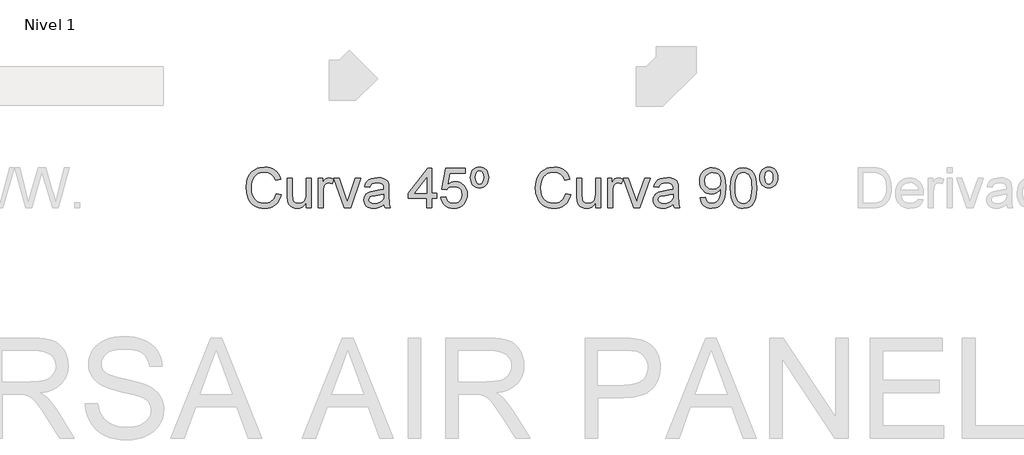
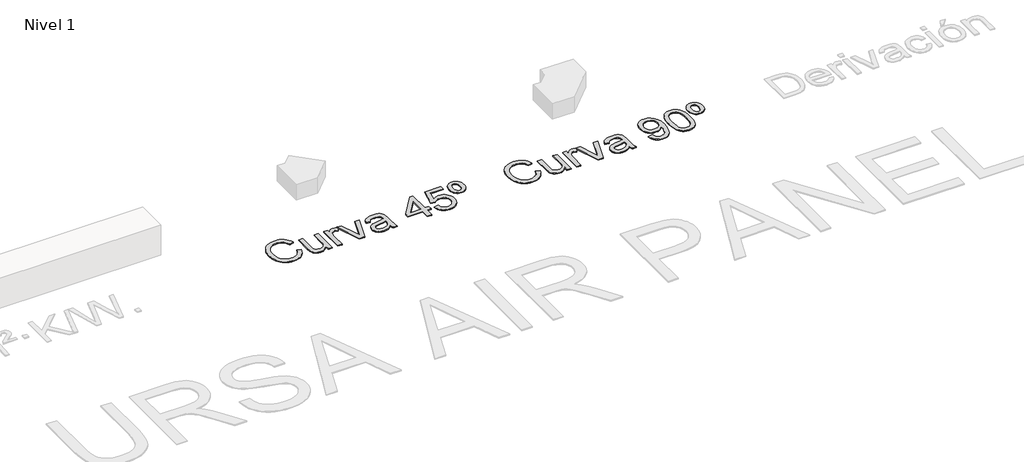
# One storey, part 2 of 6: 2 proxies.
"""IFC4 building model written with IfcOpenShell, lengths in millimetres."""

from ifc_helpers import new_model, si_unit, origin, origin_with_axes, place, context, project, spatial, polyline, outline, extrude, element, save

model = new_model("IFC4")

# Units and contexts
model_context = context("Model", 3, world=origin())
ifc_project = project(units=[si_unit("LENGTHUNIT", "METRE", prefix="MILLI")], contexts=[model_context])

# Site, building, storey
site = spatial("IfcSite", under=ifc_project)
building = spatial("IfcBuilding", under=site)
storey = spatial("IfcBuildingStorey", under=building, Name="Nivel 1", Elevation=0.0)

# Proxies
placement = place(None, origin())
element("IfcBuildingElementProxy", 1, Name="Texto de modelo 1", ObjectType="Texto de modelo 1", at=placement, inside=storey, context=model_context, shape_type="SweptSolid", body=[
    extrude(outline(polyline([(-12462.0094574, -873.4884877), (-12411.7813023, -886.4379339), (-12421.7202475, -917.674181), (-12434.957868, -944.9679594), (-12451.4941637, -968.319269), (-12471.3291346, -987.7281099), (-12494.0151909, -1002.9860157), (-12519.104743, -1013.8845198), (-12546.5977908, -1020.4236223), (-12576.4943343, -1022.6033231), (-12607.123576, -1020.9539855), (-12634.7545796, -1016.0059726), (-12659.3873448, -1007.7592846), (-12681.0218718, -996.2139213), (-12699.9555318, -981.5415611), (-12716.4856962, -963.9138821), (-12730.6123648, -943.3308845), (-12742.3355377, -919.7925682), (-12758.1176753, -867.9212068), (-12763.3783878, -812.3710256), (-12757.4309622, -753.7796865), (-12749.9966802, -727.4822552), (-12739.5886855, -703.1836494), (-12726.4399698, -681.2854736), (-12710.7835252, -662.1893324), (-12692.6193517, -645.8952257), (-12671.9474493, -632.4031535), (-12649.4698594, -621.8234805), (-12625.8886235, -614.2665712), (-12575.4152137, -608.2210437), (-12546.6866956, -610.1769497), (-12520.3432791, -616.0446675), (-12496.3849641, -625.8241972), (-12474.8117508, -639.5155388), (-12455.9792583, -656.7569416), (-12440.243106, -677.1866551), (-12427.6032938, -700.8046792), (-12418.0598217, -727.6110139), (-12468.2879767, -739.5794415), (-12485.7010579, -702.9506575), (-12509.4907602, -677.8243172), (-12539.9513894, -663.2929784), (-12577.377251, -658.4491988), (-12620.5175463, -663.8202759), (-12639.1998203, -670.5341223), (-12655.9568452, -679.9335073), (-12682.8490191, -705.0966358), (-12700.3479393, -737.6174041), (-12709.9496594, -774.3810782), (-12713.1502327, -812.2729237), (-12709.3610482, -858.675106), (-12697.9934945, -898.798769), (-12678.6183761, -931.1110709), (-12650.8064973, -954.0791701), (-12617.4641258, -967.8011685), (-12581.4975294, -972.375168), (-12559.6606673, -970.8178009), (-12539.5712447, -966.1456996), (-12521.2292615, -958.358864), (-12504.6347179, -947.4572942), (-12490.1800211, -933.4900411), (-12478.2575788, -916.5061557), (-12468.8673909, -896.5056379), (-12462.0094574, -873.4884877)])), origin_with_axes(), (0.0, 0.0, 1.0), 10.0),
    extrude(outline(polyline([(-12160.6405269, -1016.3248037), (-12160.6405269, -965.6061393), (-12178.8138975, -990.5424072), (-12199.9793749, -1008.3540271), (-12224.1369593, -1019.0409991), (-12251.2866505, -1022.6033231), (-12275.7508032, -1020.1017255), (-12298.5226987, -1012.5969328), (-12317.628037, -1001.3152183), (-12331.092518, -987.4828553), (-12340.1546778, -970.6829108), (-12346.0530525, -950.498452), (-12348.9961084, -903.8019641), (-12348.9961084, -721.2343926), (-12298.7679534, -721.2343926), (-12298.7679534, -880.1594145), (-12295.7267955, -931.3685883), (-12288.4059438, -948.4505756), (-12275.8611678, -961.43681), (-12258.9263333, -969.6405785), (-12238.4353062, -972.375168), (-12216.7670566, -969.5792648), (-12196.4967587, -961.1915554), (-12179.7826534, -947.9845917), (-12168.7829817, -930.7309262), (-12162.6761406, -907.1006393), (-12160.6405269, -874.763812), (-12160.6405269, -721.2343926), (-12110.4123718, -721.2343926), (-12110.4123718, -1016.3248037), (-12160.6405269, -1016.3248037)])), origin_with_axes(), (0.0, 0.0, 1.0), 10.0),
    extrude(outline(polyline([(-11780.5939004, -1016.3248037), (-11884.385674, -721.2343926), (-11831.214463, -721.2343926), (-11768.3311673, -898.013954), (-11749.3975072, -957.4636845), (-11730.8562547, -901.3494175), (-11667.5805515, -721.2343926), (-11614.4093405, -721.2343926), (-11716.9257898, -1016.3248037), (-11780.5939004, -1016.3248037)])), origin_with_axes(), (0.0, 0.0, 1.0), 10.0),
    extrude(outline(polyline([(-12041.3486586, -1016.3248037), (-12041.3486586, -721.2343926), (-11997.3990229, -721.2343926), (-11997.3990229, -764.8897227), (-11981.1631642, -739.5794415), (-11966.2026297, -724.6679579), (-11951.1930443, -717.3838944), (-11934.8100328, -714.9558732), (-11909.7940571, -718.8308969), (-11884.385674, -730.455968), (-11901.161093, -775.4847242), (-11918.8194287, -767.7592023), (-11936.4777645, -765.1840283), (-11951.4750872, -767.6611004), (-11964.8782545, -775.0923167), (-11975.7062479, -786.9135915), (-11982.9780487, -802.560839), (-11989.0848898, -830.6179725), (-11991.1205035, -861.2257545), (-11991.1205035, -1016.3248037), (-12041.3486586, -1016.3248037)])), origin_with_axes(), (0.0, 0.0, 1.0), 10.0),
    extrude(outline(polyline([(-11382.1041233, -978.6536874), (-11406.1022921, -999.2305537), (-11430.8116994, -1012.6950347), (-11456.796431, -1020.126251), (-11484.6205726, -1022.6033231), (-11506.9847322, -1021.113401), (-11526.5959082, -1016.6436348), (-11543.4541007, -1009.1940244), (-11557.5593095, -998.7645698), (-11568.6969369, -986.0174587), (-11576.652385, -971.6148785), (-11581.4256539, -955.5568295), (-11583.0167436, -937.8433114), (-11580.6132478, -917.0211905), (-11573.4027607, -898.1120559), (-11562.2804618, -881.9252481), (-11548.1415304, -869.2701075), (-11531.525527, -859.7051756), (-11512.9720117, -852.7889941), (-11469.5128853, -845.2351505), (-11418.1565588, -837.2888994), (-11382.3984288, -827.9692222), (-11382.1041233, -816.7856095), (-11385.562214, -794.3693333), (-11395.9364863, -779.7031044), (-11419.1375774, -768.8137973), (-11451.4621421, -765.1840283), (-11481.383211, -767.5997868), (-11502.2789083, -774.8470621), (-11516.5282043, -788.2502294), (-11526.5100691, -809.133664), (-11576.7382242, -802.8551446), (-11568.0194209, -775.3866223), (-11555.008661, -753.8042119), (-11536.4919339, -737.2985731), (-11511.255229, -725.0603654), (-11480.3899296, -717.4819963), (-11444.987419, -714.9558732), (-11411.0319108, -717.1876907), (-11384.1152115, -723.883143), (-11363.8203881, -733.9508469), (-11349.7305077, -746.2994192), (-11340.386305, -761.566522), (-11334.3285148, -780.3898175), (-11331.8759682, -824.3394531), (-11331.8759682, -886.8303414), (-11329.3253197, -974.0919506), (-11319.3189294, -1016.3248037), (-11369.5470845, -1016.3248037), (-11377.5914374, -998.8626717), (-11382.1041233, -978.6536874)]), holes=[polyline([(-11382.1041233, -878.1973772), (-11415.8511649, -886.5605613), (-11463.1362641, -893.5993701), (-11506.3501358, -901.7418249), (-11517.5950621, -907.3091058), (-11525.9214579, -914.9855768), (-11531.0718058, -924.1826266), (-11532.7885885, -934.3116442), (-11529.0484549, -949.2476532), (-11517.828054, -961.4858609), (-11499.3726406, -969.6528412), (-11473.9274692, -972.375168), (-11446.9494563, -969.3707984), (-11423.110703, -960.3576895), (-11403.7846355, -947.0771495), (-11390.3446799, -931.2704864), (-11384.3849916, -914.9855768), (-11382.3984288, -892.4221477), (-11382.1041233, -878.1973772)])]), origin_with_axes(), (0.0, 0.0, 1.0), 10.0),
    extrude(outline(polyline([(-10955.1648051, -1016.3248037), (-10955.1648051, -922.1470129), (-11137.2418673, -922.1470129), (-11137.2418673, -871.9188579), (-10942.6077663, -620.7780825), (-10904.93665, -620.7780825), (-10904.93665, -871.9188579), (-10854.708495, -871.9188579), (-10854.708495, -922.1470129), (-10904.93665, -922.1470129), (-10904.93665, -1016.3248037), (-10955.1648051, -1016.3248037)]), holes=[polyline([(-10955.1648051, -871.9188579), (-10955.1648051, -716.7217068), (-11075.4376921, -871.9188579), (-10955.1648051, -871.9188579)])]), origin_with_axes(), (0.0, 0.0, 1.0), 10.0),
    extrude(outline(polyline([(-10810.7588593, -909.5899742), (-10760.5307042, -903.3114548), (-10751.3091289, -933.4655156), (-10735.2204229, -955.0601888), (-10712.3381628, -968.0464232), (-10682.735925, -972.375168), (-10663.6060612, -970.8699175), (-10646.7325404, -966.354166), (-10632.1153624, -958.8279135), (-10619.7545274, -948.2911601), (-10609.9259467, -935.2650717), (-10602.905532, -920.2708148), (-10597.2892002, -884.3777948), (-10602.5499127, -850.5817021), (-10609.1258034, -836.6635), (-10618.3320503, -824.7318606), (-10630.1993104, -815.1607974), (-10644.7582403, -808.3243236), (-10681.95111, -802.8551446), (-10706.3171608, -805.0379111), (-10726.0478985, -811.5862106), (-10741.8055106, -821.6171264), (-10754.2521848, -834.2477415), (-10804.4803399, -827.9692222), (-10760.5307042, -620.7780825), (-10565.8966033, -620.7780825), (-10565.8966033, -671.0062376), (-10719.9165319, -671.0062376), (-10741.4008405, -781.6651417), (-10723.6750597, -768.9609501), (-10705.5200832, -759.8865276), (-10686.9359111, -754.4418741), (-10667.9225433, -752.6269896), (-10643.4614563, -754.8772011), (-10620.9930634, -761.6278357), (-10600.5173647, -772.8788934), (-10582.0343601, -788.6303741), (-10566.7335348, -807.9196534), (-10555.8043739, -829.7841067), (-10549.2468773, -854.2237339), (-10547.0610451, -881.2385351), (-10549.0292138, -907.2600549), (-10554.9337198, -931.4666901), (-10564.7745632, -953.8584409), (-10578.5517439, -974.4353072), (-10599.4229158, -995.5088141), (-10623.7767039, -1010.5613191), (-10651.6131082, -1019.5928221), (-10682.9321287, -1022.6033231), (-10708.8524809, -1020.6688769), (-10732.2651042, -1014.8655384), (-10753.1699986, -1005.1933077), (-10771.5671641, -991.6521846), (-10786.8741207, -974.9166195), (-10798.5083888, -955.6610627), (-10806.4699683, -933.8855143), (-10810.7588593, -909.5899742)])), origin_with_axes(), (0.0, 0.0, 1.0), 10.0),
    extrude(outline(polyline([(-10424.6299171, -608.2210437), (-10405.4448711, -609.9439577), (-10388.1114978, -615.1126998), (-10372.6297971, -623.7272698), (-10358.9997692, -635.7876679), (-10347.8836016, -650.8830924), (-10339.9434818, -668.6027419), (-10335.17941, -688.9466162), (-10333.5913861, -711.9147154), (-10335.1886071, -734.7969755), (-10339.98027, -755.0795362), (-10347.966375, -772.7623974), (-10359.146922, -787.8455592), (-10372.8045411, -799.9059573), (-10388.2218623, -808.5205274), (-10405.3988858, -813.6892694), (-10424.3356115, -815.4121834), (-10443.5298546, -813.7229919), (-10460.8908191, -808.6554174), (-10476.418505, -800.2094599), (-10490.1129123, -788.3851195), (-10501.2934593, -773.5441467), (-10509.2795642, -756.0482921), (-10514.0712272, -735.8975558), (-10515.6684482, -713.0919378), (-10514.0804243, -689.6088038), (-10509.3163524, -668.8970474), (-10501.3762327, -650.9566688), (-10490.2600651, -635.7876679), (-10476.6300372, -623.7272698), (-10461.1483365, -615.1126998), (-10443.8149632, -609.9439577), (-10424.6299171, -608.2210437)]), holes=[polyline([(-10424.6299171, -645.89216), (-10441.1968697, -649.754921), (-10454.2076296, -661.3432038), (-10462.6321272, -681.6870781), (-10465.4402931, -711.8166136), (-10462.5830763, -741.394326), (-10454.0114258, -761.8485649), (-10440.951615, -773.7679415), (-10424.6299171, -777.7410671), (-10408.185592, -773.7679415), (-10395.1503066, -761.8485649), (-10386.6522325, -741.0509694), (-10383.8195411, -710.4431874), (-10386.676758, -681.7116036), (-10395.2484085, -661.6375094), (-10408.3082193, -649.8284974), (-10424.6299171, -645.89216)])]), origin_with_axes(), (0.0, 0.0, 1.0), 10.0),
])
element("IfcBuildingElementProxy", 2, Name="Texto de modelo 1", ObjectType="Texto de modelo 1", at=placement, inside=storey, context=model_context, shape_type="SweptSolid", body=[
    extrude(outline(polyline([(-9562.0094574, -873.4884877), (-9511.7813023, -886.4379339), (-9521.7202475, -917.674181), (-9534.957868, -944.9679594), (-9551.4941637, -968.319269), (-9571.3291346, -987.7281099), (-9594.0151909, -1002.9860157), (-9619.104743, -1013.8845198), (-9646.5977908, -1020.4236223), (-9676.4943343, -1022.6033231), (-9707.123576, -1020.9539855), (-9734.7545796, -1016.0059726), (-9759.3873448, -1007.7592846), (-9781.0218718, -996.2139213), (-9799.9555318, -981.5415611), (-9816.4856962, -963.9138821), (-9830.6123648, -943.3308845), (-9842.3355377, -919.7925682), (-9858.1176753, -867.9212068), (-9863.3783878, -812.3710256), (-9857.4309622, -753.7796865), (-9849.9966802, -727.4822552), (-9839.5886855, -703.1836494), (-9826.4399698, -681.2854736), (-9810.7835252, -662.1893324), (-9792.6193517, -645.8952257), (-9771.9474493, -632.4031535), (-9749.4698594, -621.8234805), (-9725.8886235, -614.2665712), (-9675.4152137, -608.2210437), (-9646.6866956, -610.1769497), (-9620.3432791, -616.0446675), (-9596.3849641, -625.8241972), (-9574.8117508, -639.5155388), (-9555.9792583, -656.7569416), (-9540.243106, -677.1866551), (-9527.6032938, -700.8046792), (-9518.0598217, -727.6110139), (-9568.2879767, -739.5794415), (-9585.7010579, -702.9506575), (-9609.4907602, -677.8243172), (-9639.9513894, -663.2929784), (-9677.377251, -658.4491988), (-9720.5175463, -663.8202759), (-9739.1998203, -670.5341223), (-9755.9568452, -679.9335073), (-9782.8490191, -705.0966358), (-9800.3479393, -737.6174041), (-9809.9496594, -774.3810782), (-9813.1502327, -812.2729237), (-9809.3610482, -858.675106), (-9797.9934945, -898.798769), (-9778.6183761, -931.1110709), (-9750.8064973, -954.0791701), (-9717.4641258, -967.8011685), (-9681.4975294, -972.375168), (-9659.6606673, -970.8178009), (-9639.5712447, -966.1456996), (-9621.2292615, -958.358864), (-9604.6347179, -947.4572942), (-9590.1800211, -933.4900411), (-9578.2575788, -916.5061557), (-9568.8673909, -896.5056379), (-9562.0094574, -873.4884877)])), origin_with_axes(), (0.0, 0.0, 1.0), 10.0),
    extrude(outline(polyline([(-9260.6405269, -1016.3248037), (-9260.6405269, -965.6061393), (-9278.8138975, -990.5424072), (-9299.9793749, -1008.3540271), (-9324.1369593, -1019.0409991), (-9351.2866505, -1022.6033231), (-9375.7508032, -1020.1017255), (-9398.5226987, -1012.5969328), (-9417.628037, -1001.3152183), (-9431.092518, -987.4828553), (-9440.1546778, -970.6829108), (-9446.0530525, -950.498452), (-9448.9961084, -903.8019641), (-9448.9961084, -721.2343926), (-9398.7679534, -721.2343926), (-9398.7679534, -880.1594145), (-9395.7267955, -931.3685883), (-9388.4059438, -948.4505756), (-9375.8611678, -961.43681), (-9358.9263333, -969.6405785), (-9338.4353062, -972.375168), (-9316.7670566, -969.5792648), (-9296.4967587, -961.1915554), (-9279.7826534, -947.9845917), (-9268.7829817, -930.7309262), (-9262.6761406, -907.1006393), (-9260.6405269, -874.763812), (-9260.6405269, -721.2343926), (-9210.4123718, -721.2343926), (-9210.4123718, -1016.3248037), (-9260.6405269, -1016.3248037)])), origin_with_axes(), (0.0, 0.0, 1.0), 10.0),
    extrude(outline(polyline([(-8880.5939004, -1016.3248037), (-8984.385674, -721.2343926), (-8931.214463, -721.2343926), (-8868.3311673, -898.013954), (-8849.3975072, -957.4636845), (-8830.8562547, -901.3494175), (-8767.5805515, -721.2343926), (-8714.4093405, -721.2343926), (-8816.9257898, -1016.3248037), (-8880.5939004, -1016.3248037)])), origin_with_axes(), (0.0, 0.0, 1.0), 10.0),
    extrude(outline(polyline([(-9141.3486586, -1016.3248037), (-9141.3486586, -721.2343926), (-9097.3990229, -721.2343926), (-9097.3990229, -764.8897227), (-9081.1631642, -739.5794415), (-9066.2026297, -724.6679579), (-9051.1930443, -717.3838944), (-9034.8100328, -714.9558732), (-9009.7940571, -718.8308969), (-8984.385674, -730.455968), (-9001.161093, -775.4847242), (-9018.8194287, -767.7592023), (-9036.4777645, -765.1840283), (-9051.4750872, -767.6611004), (-9064.8782545, -775.0923167), (-9075.7062479, -786.9135915), (-9082.9780487, -802.560839), (-9089.0848898, -830.6179725), (-9091.1205035, -861.2257545), (-9091.1205035, -1016.3248037), (-9141.3486586, -1016.3248037)])), origin_with_axes(), (0.0, 0.0, 1.0), 10.0),
    extrude(outline(polyline([(-8482.1041233, -978.6536874), (-8506.1022921, -999.2305537), (-8530.8116994, -1012.6950347), (-8556.796431, -1020.126251), (-8584.6205726, -1022.6033231), (-8606.9847322, -1021.113401), (-8626.5959082, -1016.6436348), (-8643.4541007, -1009.1940244), (-8657.5593095, -998.7645698), (-8668.6969369, -986.0174587), (-8676.652385, -971.6148785), (-8681.4256539, -955.5568295), (-8683.0167436, -937.8433114), (-8680.6132478, -917.0211905), (-8673.4027607, -898.1120559), (-8662.2804618, -881.9252481), (-8648.1415304, -869.2701075), (-8631.525527, -859.7051756), (-8612.9720117, -852.7889941), (-8569.5128853, -845.2351505), (-8518.1565588, -837.2888994), (-8482.3984288, -827.9692222), (-8482.1041233, -816.7856095), (-8485.562214, -794.3693333), (-8495.9364863, -779.7031044), (-8519.1375774, -768.8137973), (-8551.4621421, -765.1840283), (-8581.383211, -767.5997868), (-8602.2789083, -774.8470621), (-8616.5282043, -788.2502294), (-8626.5100691, -809.133664), (-8676.7382242, -802.8551446), (-8668.0194209, -775.3866223), (-8655.008661, -753.8042119), (-8636.4919339, -737.2985731), (-8611.255229, -725.0603654), (-8580.3899296, -717.4819963), (-8544.987419, -714.9558732), (-8511.0319108, -717.1876907), (-8484.1152115, -723.883143), (-8463.8203881, -733.9508469), (-8449.7305077, -746.2994192), (-8440.386305, -761.566522), (-8434.3285148, -780.3898175), (-8431.8759682, -824.3394531), (-8431.8759682, -886.8303414), (-8429.3253197, -974.0919506), (-8419.3189294, -1016.3248037), (-8469.5470845, -1016.3248037), (-8477.5914374, -998.8626717), (-8482.1041233, -978.6536874)]), holes=[polyline([(-8482.1041233, -878.1973772), (-8515.8511649, -886.5605613), (-8563.1362641, -893.5993701), (-8606.3501358, -901.7418249), (-8617.5950621, -907.3091058), (-8625.9214579, -914.9855768), (-8631.0718058, -924.1826266), (-8632.7885885, -934.3116442), (-8629.0484549, -949.2476532), (-8617.828054, -961.4858609), (-8599.3726406, -969.6528412), (-8573.9274692, -972.375168), (-8546.9494563, -969.3707984), (-8523.110703, -960.3576895), (-8503.7846355, -947.0771495), (-8490.3446799, -931.2704864), (-8484.3849916, -914.9855768), (-8482.3984288, -892.4221477), (-8482.1041233, -878.1973772)])]), origin_with_axes(), (0.0, 0.0, 1.0), 10.0),
    extrude(outline(polyline([(-8212.1277897, -915.8684935), (-8161.8996347, -909.5899742), (-8153.3157214, -938.1008288), (-8139.3362056, -957.5127354), (-8120.3044437, -968.6595599), (-8096.5637923, -972.375168), (-8075.2634248, -969.983935), (-8055.9005691, -962.8102361), (-8039.8118632, -951.6388862), (-8028.3339449, -937.2547002), (-8011.9018825, -893.5993701), (-8006.457229, -865.1988801), (-8004.6423444, -835.3268621), (-8004.93665, -825.5166755), (-8022.3374684, -846.7557294), (-8045.1093639, -863.5801993), (-8071.6091303, -874.5430828), (-8100.1935613, -878.1973772), (-8124.0537744, -875.9655598), (-8145.9948697, -869.2701075), (-8166.0168473, -858.1110203), (-8184.1197072, -842.4882982), (-8199.1200955, -823.2174131), (-8209.8346586, -801.1138365), (-8216.2633965, -776.1775686), (-8218.4063091, -748.4086093), (-8216.1591633, -719.7138137), (-8209.4177257, -693.9620741), (-8198.1819964, -671.1533904), (-8182.4519754, -651.2877626), (-8163.3374401, -635.1929253), (-8141.9481678, -623.696613), (-8118.2841584, -616.7988256), (-8092.3454121, -614.4995631), (-8054.8827623, -619.7480129), (-8020.7801013, -635.4933623), (-7992.2569839, -660.9507964), (-7971.5329649, -695.3355002), (-7958.9146124, -742.8658539), (-7954.708495, -807.7602379), (-7958.9023497, -876.5664337), (-7971.4839139, -929.7499075), (-7992.3428231, -969.7141549), (-8005.8348952, -985.6403796), (-8021.3687125, -998.8626717), (-8038.6315751, -1009.2492067), (-8057.3107834, -1016.6681602), (-8098.9182371, -1022.6033231), (-8121.4755347, -1020.8528179), (-8141.8623286, -1015.6013024), (-8160.0786188, -1006.8487766), (-8176.1244051, -994.5952405), (-8189.5950175, -979.1717879), (-8200.0857857, -960.9095125), (-8207.5967098, -939.8084144), (-8212.1277897, -915.8684935)]), holes=[polyline([(-8004.93665, -747.231387), (-8010.3567781, -713.1900397), (-8017.1319382, -699.112422), (-8026.6171623, -686.9968416), (-8038.3464666, -677.2541001), (-8051.8538672, -670.294999), (-8084.2029573, -664.7277182), (-8101.8122421, -666.2268373), (-8117.7537952, -670.7241947), (-8132.0276166, -678.2197903), (-8144.6337063, -688.7136243), (-8154.9344022, -701.5925598), (-8162.2920421, -716.2434602), (-8166.7066261, -732.6663256), (-8168.178154, -750.861156), (-8162.6108732, -781.8981336), (-8155.6517721, -795.0161924), (-8145.9090306, -806.5339646), (-8133.7873189, -815.9118898), (-8119.6913071, -822.6104078), (-8085.5763834, -827.9692222), (-8053.4848107, -822.6104078), (-8027.6472319, -806.5339646), (-8017.7113523, -794.7893319), (-8010.6142955, -780.9906914), (-8004.93665, -747.231387)])]), origin_with_axes(), (0.0, 0.0, 1.0), 10.0),
    extrude(outline(polyline([(-7910.7588593, -818.649545), (-7907.0677766, -754.3315095), (-7895.9945285, -703.0364966), (-7877.6494797, -663.9796914), (-7865.7914167, -648.7463112), (-7852.1429947, -636.3762791), (-7836.6582284, -626.8052158), (-7819.2911325, -619.9687421), (-7778.9099522, -614.4995631), (-7747.9588137, -617.7369247), (-7720.2450367, -627.4490093), (-7697.068471, -643.2556724), (-7679.7289663, -664.7767691), (-7666.6323673, -691.8283585), (-7656.1845186, -724.2264995), (-7649.3419135, -765.3679693), (-7647.0610451, -818.649545), (-7650.7153396, -882.5996984), (-7661.6782231, -933.772084), (-7679.9129073, -972.8656773), (-7691.7433791, -988.1450429), (-7705.3826041, -1000.5794543), (-7720.8857645, -1010.2148969), (-7738.3080427, -1017.0973559), (-7778.9099522, -1022.6033231), (-7806.5746782, -1020.2120901), (-7831.1001446, -1013.0383912), (-7852.4863512, -1001.0822264), (-7870.7332982, -984.3435956), (-7888.2444812, -954.0853015), (-7900.752469, -916.3835283), (-7908.2572617, -871.2382762), (-7910.7588593, -818.649545)]), holes=[polyline([(-7860.5307042, -818.5514431), (-7859.0591762, -862.2159702), (-7854.6445923, -897.5602329), (-7847.2869524, -924.5842311), (-7836.9862565, -943.2879649), (-7824.5273196, -956.0136163), (-7810.6949566, -965.1033672), (-7795.4891675, -970.5572178), (-7778.9099522, -972.375168), (-7762.330737, -970.5510864), (-7747.1249478, -965.0788418), (-7733.2925848, -955.958434), (-7720.8336479, -943.1898631), (-7710.532952, -924.4554724), (-7703.1753121, -897.4376056), (-7698.7607282, -862.1362625), (-7697.2892002, -818.5514431), (-7698.7116773, -776.0426785), (-7702.9791084, -741.3207496), (-7710.0914936, -714.3856562), (-7720.048833, -695.2373983), (-7732.2993034, -681.8894132), (-7746.291082, -672.3551382), (-7762.0241686, -666.6345732), (-7779.4985634, -664.7277182), (-7795.9919395, -666.4077126), (-7810.9402113, -671.4476959), (-7824.3433786, -679.8476682), (-7836.2014416, -691.6076293), (-7846.845494, -712.4542757), (-7854.4483885, -740.5604601), (-7859.0101253, -775.9261826), (-7860.5307042, -818.5514431)])]), origin_with_axes(), (0.0, 0.0, 1.0), 10.0),
    extrude(outline(polyline([(-7524.6299171, -608.2210437), (-7505.4448711, -609.9439577), (-7488.1114978, -615.1126998), (-7472.6297971, -623.7272698), (-7458.9997692, -635.7876679), (-7447.8836016, -650.8830924), (-7439.9434818, -668.6027419), (-7435.17941, -688.9466162), (-7433.5913861, -711.9147154), (-7435.1886071, -734.7969755), (-7439.98027, -755.0795362), (-7447.966375, -772.7623974), (-7459.146922, -787.8455592), (-7472.8045411, -799.9059573), (-7488.2218623, -808.5205274), (-7505.3988858, -813.6892694), (-7524.3356115, -815.4121834), (-7543.5298546, -813.7229919), (-7560.8908191, -808.6554174), (-7576.418505, -800.2094599), (-7590.1129123, -788.3851195), (-7601.2934593, -773.5441467), (-7609.2795642, -756.0482921), (-7614.0712272, -735.8975558), (-7615.6684482, -713.0919378), (-7614.0804243, -689.6088038), (-7609.3163524, -668.8970474), (-7601.3762327, -650.9566688), (-7590.2600651, -635.7876679), (-7576.6300372, -623.7272698), (-7561.1483365, -615.1126998), (-7543.8149632, -609.9439577), (-7524.6299171, -608.2210437)]), holes=[polyline([(-7524.6299171, -645.89216), (-7541.1968697, -649.754921), (-7554.2076296, -661.3432038), (-7562.6321272, -681.6870781), (-7565.4402931, -711.8166136), (-7562.5830763, -741.394326), (-7554.0114258, -761.8485649), (-7540.951615, -773.7679415), (-7524.6299171, -777.7410671), (-7508.185592, -773.7679415), (-7495.1503066, -761.8485649), (-7486.6522325, -741.0509694), (-7483.8195411, -710.4431874), (-7486.676758, -681.7116036), (-7495.2484085, -661.6375094), (-7508.3082193, -649.8284974), (-7524.6299171, -645.89216)])]), origin_with_axes(), (0.0, 0.0, 1.0), 10.0),
])

save(model, "model.ifc")
